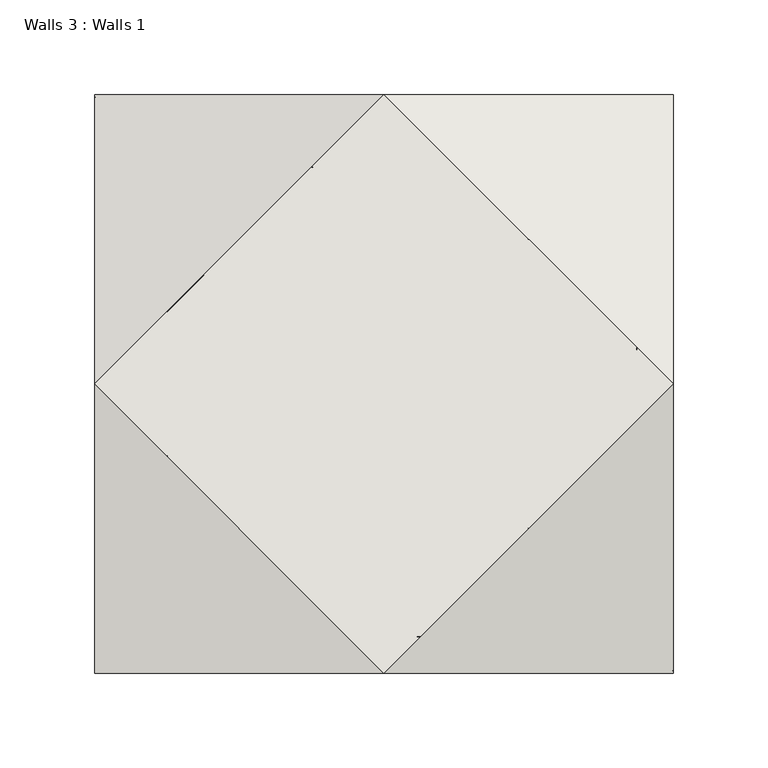
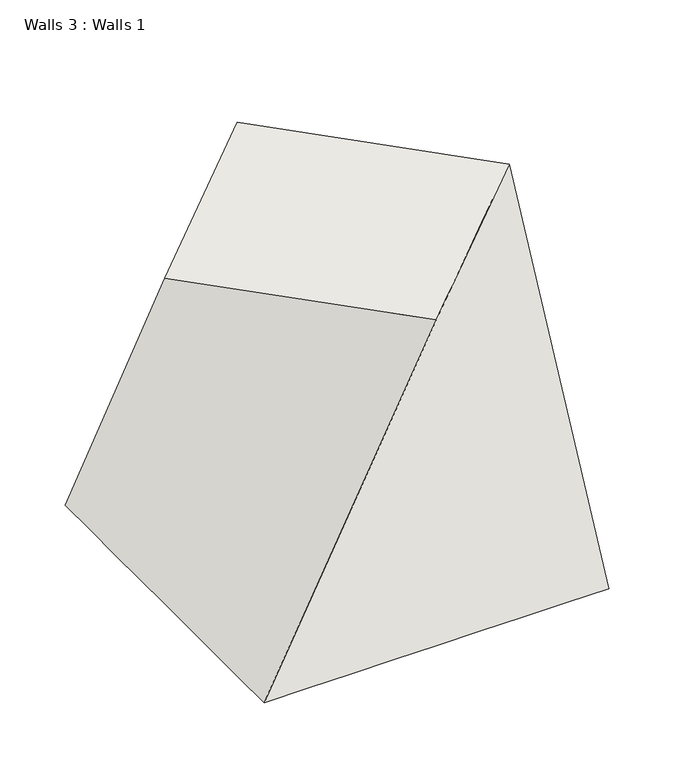
"""IFC4 building model written with IfcOpenShell, lengths in millimetres: wall geometry, Walls 3 : Walls 1."""

from ifc_helpers import new_model, si_unit, frame, origin, place, context, project, spatial, source, transform, mapped, element, save
from ifc_brep_helpers import plane_surface, spline_surface, advanced_brep


def walls_3_walls_1_3de6cdbe(model_context):
    return source(origin(), model_context, "Body", "AdvancedBrep", [
        advanced_brep(
        [(-152.4, 762.0, 0.0), (152.4, 762.0, 0.0), (152.4, 457.2, 0.0), (-152.4, 457.2, 0.0), (-152.4, 609.6, 304.8), (0.0, 457.2, 304.8), (152.4, 609.6, 304.8), (0.0, 762.0, 304.8)],
        [
            (0, 1),
            (1, 2),
            (2, 3),
            (3, 0),
            (4, 5),
            (5, 6),
            (6, 7),
            (7, 4),
            (7, 1),
            (0, 4),
            (6, 2),
            (5, 3),
        ],
        [
            plane_surface(frame((0.0, 609.6, 0.0), z_axis=(0.0, 0.0, -1.0), x_axis=(-1.0, 0.0, 0.0))),
            plane_surface(frame((0.0, 609.6, 304.8), z_axis=(0.0, 0.0, 1.0), x_axis=(-1.0, 0.0, 0.0))),
            spline_surface(1, 1, [[(-152.4, 609.6, 304.8), (-152.4, 762.0, 0.0)], [(0.0, 762.0, 304.8), (152.4, 762.0, 0.0)]], [2, 2], [2, 2], [0.0, 1.0], [0.0, 1.0]),
            spline_surface(1, 1, [[(0.0, 762.0, 304.8), (152.4, 762.0, 0.0)], [(152.4, 609.6, 304.8), (152.4, 457.2, 0.0)]], [2, 2], [2, 2], [0.0, 1.0], [0.0, 1.0]),
            spline_surface(1, 1, [[(152.4, 609.6, 304.8), (152.4, 457.2, 0.0)], [(0.0, 457.2, 304.8), (-152.4, 457.2, 0.0)]], [2, 2], [2, 2], [0.0, 1.0], [0.0, 1.0]),
            spline_surface(1, 1, [[(0.0, 457.2, 304.8), (-152.4, 457.2, 0.0)], [(-152.4, 609.6, 304.8), (-152.4, 762.0, 0.0)]], [2, 2], [2, 2], [0.0, 1.0], [0.0, 1.0]),
        ],
        [
            (0, [[1, 2, 3, 4]]),
            (1, [[5, 6, 7, 8]]),
            (2, [[-8, 9, -1, 10]]),
            (3, [[-7, 11, -2, -9]]),
            (4, [[-6, 12, -3, -11]]),
            (5, [[-5, -10, -4, -12]]),
        ],
    ),
    ])


if __name__ == "__main__":
    model = new_model("IFC4")
    model_context = context("Model", 3, world=origin())
    ifc_project = project(units=[si_unit("LENGTHUNIT", "METRE", prefix="MILLI")], contexts=[model_context])
    site = spatial("IfcSite", under=ifc_project)
    building = spatial("IfcBuilding", under=site)
    placement = place(None, origin())
    walls_3_walls_1_shape = walls_3_walls_1_3de6cdbe(model_context)
    element("IfcWall", 1, ObjectType="Walls 3 : Walls 1", at=placement, inside=building, context=model_context, shape_type="MappedRepresentation", body=[
        mapped(walls_3_walls_1_shape, transform((0.0, 0.0, 0.0), x_axis=(1.0, 0.0, 0.0), y_axis=(0.0, 1.0, 0.0), z_axis=(0.0, 0.0, 1.0))),
    ])
    save(model, "model.ifc")
